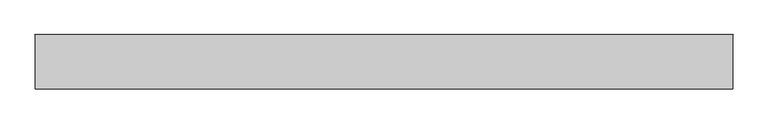
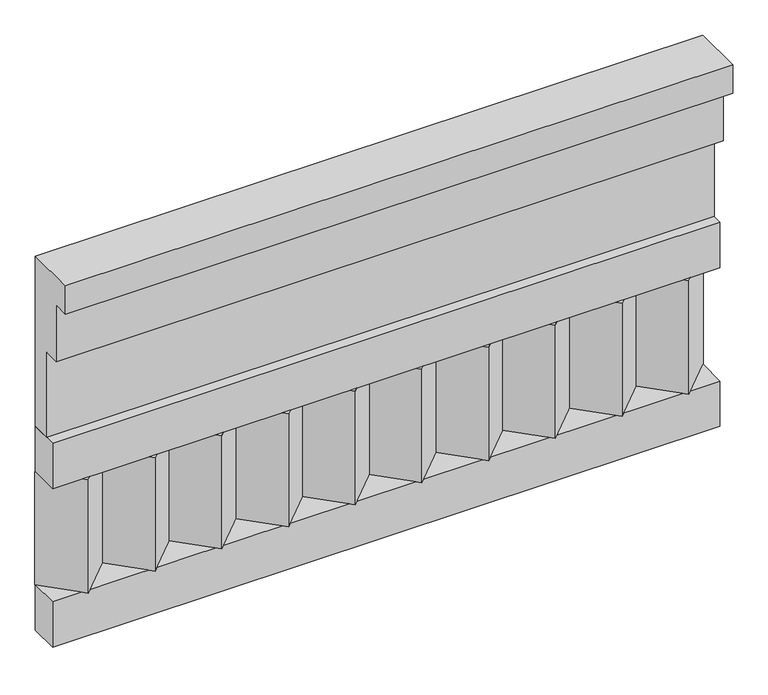
"""IFC4 building model written with IfcOpenShell, lengths in millimetres: railing geometry."""

import ifcopenshell
import ifcopenshell.guid

model = None  # the IFC model being written
_history = None  # IfcOwnerHistory: only IFC2X3 demands one
_inside = {}  # id of a spatial element -> (the spatial element, [elements in it])
_under = {}  # id of a project, library or spatial element -> (it, [spatial elements below it])
_declared = {}  # id of a project -> (the project, [libraries it declares])
_typed = {}  # id of a type object -> (the type object, [elements of that type])
_made_of = {}  # id of a material, layer set ... -> (it, [elements and type objects made of it])


def new_model(schema):
    """Start an empty IFC model of exactly this schema.

    Asked for "IFC4X3", IfcOpenShell would pick the latest addendum, in which some entities
    have other attributes; the version numbers below select the first issue.
    IFC2X3 requires an IfcOwnerHistory on every rooted entity: one is made here for all.
    """
    global model, _history
    if schema == "IFC4X3":
        model = ifcopenshell.file(schema_version=(4, 3, 0, 0))
    else:
        model = ifcopenshell.file(schema=schema)
    _inside.clear()
    _under.clear()
    _declared.clear()
    _typed.clear()
    _made_of.clear()
    _history = None
    if model.schema == "IFC2X3":
        org = make("IfcOrganization", Name="unknown")
        user = make(
            "IfcPersonAndOrganization",
            ThePerson=make("IfcPerson", FamilyName="unknown"),
            TheOrganization=org,
        )
        app = make(
            "IfcApplication",
            ApplicationDeveloper=org,
            Version="unknown",
            ApplicationFullName="unknown",
            ApplicationIdentifier="unknown",
        )
        _history = make(
            "IfcOwnerHistory",
            OwningUser=user,
            OwningApplication=app,
            ChangeAction="ADDED",
            CreationDate=0,
        )
    return model


def make(cls, **values):
    """One entity of the class cls with the attributes given. An attribute that is None is left unset."""
    return model.create_entity(
        cls, **{name: value for name, value in values.items() if value is not None}
    )


def rooted(cls, **values):
    """An entity with a GlobalId (a new one), such as an element, a storey or a relation."""
    return make(cls, GlobalId=ifcopenshell.guid.new(), OwnerHistory=_history, **values)


def si_unit(unit_type, name, prefix=None):
    """IfcSIUnit, for example si_unit("LENGTHUNIT", "METRE", prefix="MILLI")."""
    return make("IfcSIUnit", UnitType=unit_type, Prefix=prefix, Name=name)


def assignment(units):
    """IfcUnitAssignment: the units of a project."""
    return None if units is None else make("IfcUnitAssignment", Units=units)


def point(xyz):
    """IfcCartesianPoint."""
    return None if xyz is None else make("IfcCartesianPoint", Coordinates=xyz)


def direction(xyz):
    """IfcDirection."""
    return None if xyz is None else make("IfcDirection", DirectionRatios=xyz)


def frame(location, z_axis=None, x_axis=None):
    """IfcAxis2Placement3D, a coordinate frame: its origin and axes. An axis left out is left unset."""
    return make(
        "IfcAxis2Placement3D",
        Location=point(location),
        Axis=direction(z_axis),
        RefDirection=direction(x_axis),
    )


def origin():
    """The frame at (0, 0, 0) with its axes left unset."""
    return frame((0.0, 0.0, 0.0))


def place(relative_to, where):
    """IfcLocalPlacement: puts the frame where relative to a parent placement (None: the world)."""
    return make(
        "IfcLocalPlacement", PlacementRelTo=relative_to, RelativePlacement=where
    )


def context(
    kind, dimensions, precision=None, world=None, true_north=None, identifier=None
):
    """IfcGeometricRepresentationContext, for example the 3D "Model" context."""
    return make(
        "IfcGeometricRepresentationContext",
        ContextIdentifier=identifier,
        ContextType=kind,
        CoordinateSpaceDimension=dimensions,
        Precision=precision,
        WorldCoordinateSystem=world,
        TrueNorth=true_north,
    )


def project(units=None, contexts=None):
    """IfcProject with its units and contexts."""
    return rooted(
        "IfcProject",
        Name="project",
        RepresentationContexts=contexts,
        UnitsInContext=assignment(units),
    )


def spatial(cls, under=None, at=None, **own):
    """A site, building, storey or space (cls), placed at a placement, below another one or the project."""
    s = rooted(cls, ObjectPlacement=at, **own)
    if under is not None:
        _under.setdefault(under.id(), (under, []))[1].append(s)
    return s


def polyline(points):
    """IfcPolyline through the points."""
    return make("IfcPolyline", Points=[point(p) for p in points])


def outline(outer, holes=None, kind="AREA"):
    """IfcArbitraryClosedProfileDef: a profile drawn as a closed curve; with holes, ...WithVoids."""
    if holes is None:
        return make("IfcArbitraryClosedProfileDef", ProfileType=kind, OuterCurve=outer)
    return make(
        "IfcArbitraryProfileDefWithVoids",
        ProfileType=kind,
        OuterCurve=outer,
        InnerCurves=holes,
    )


def extrude(swept, where, along, depth):
    """IfcExtrudedAreaSolid: the profile swept, set in the frame where, extruded along a direction by depth."""
    return make(
        "IfcExtrudedAreaSolid",
        SweptArea=swept,
        Position=where,
        ExtrudedDirection=direction(along),
        Depth=depth,
    )


def shape(context_of_items, identifier, shape_type, items):
    """IfcShapeRepresentation: the items that make up one representation, for example the "Body"."""
    return make(
        "IfcShapeRepresentation",
        ContextOfItems=context_of_items,
        RepresentationIdentifier=identifier,
        RepresentationType=shape_type,
        Items=items,
    )


def source(mapping_origin, context_of_items, identifier, shape_type, items):
    """IfcRepresentationMap: a shape defined once, which mapped items show again and again."""
    return make(
        "IfcRepresentationMap",
        MappingOrigin=mapping_origin,
        MappedRepresentation=shape(context_of_items, identifier, shape_type, items),
    )


def transform(
    local_origin,
    x_axis=None,
    y_axis=None,
    z_axis=None,
    scale=None,
    scale2=None,
    scale3=None,
    uniform=True,
):
    """IfcCartesianTransformationOperator3D, or its non-uniform kind. x_axis, y_axis, z_axis: its Axis1, 2, 3."""
    if uniform:
        return make(
            "IfcCartesianTransformationOperator3D",
            Axis1=direction(x_axis),
            Axis2=direction(y_axis),
            LocalOrigin=point(local_origin),
            Scale=scale,
            Axis3=direction(z_axis),
        )
    return make(
        "IfcCartesianTransformationOperator3DnonUniform",
        Axis1=direction(x_axis),
        Axis2=direction(y_axis),
        LocalOrigin=point(local_origin),
        Scale=scale,
        Axis3=direction(z_axis),
        Scale2=scale2,
        Scale3=scale3,
    )


def mapped(mapping_source, mapping_target):
    """IfcMappedItem: shows the shape of a source again, moved by a transform."""
    return make(
        "IfcMappedItem", MappingSource=mapping_source, MappingTarget=mapping_target
    )


def made_of(thing, what):
    """Note that an element or type object is made of a material, layer set ...; save() writes the relation."""
    if what is not None:
        _made_of.setdefault(what.id(), (what, []))[1].append(thing)
    return thing


def element(
    cls,
    number,
    at=None,
    inside=None,
    cuts=None,
    type_object=None,
    material=None,
    context=None,
    identifier="Body",
    shape_type=None,
    held_by="IfcProductDefinitionShape",
    body=None,
    shapes=None,
    **own,
):
    """One element of the class cls, such as IfcWall. Its Tag is "e" and its number.

    at: its placement. inside: the storey or other place that contains it. cuts: it is an
    opening in that element (IfcRelVoidsElement). A single representation is given by context,
    identifier, shape_type and body (its items); several are given by shapes. held_by: the class
    of the entity that holds the representations. save() writes the other relations.
    """
    e = rooted(cls, Tag="e%d" % number, ObjectPlacement=at, **own)
    if body is not None:
        shapes = [shape(context, identifier, shape_type, body)]
    if shapes is not None:
        e.Representation = make(held_by, Representations=shapes)
    if inside is not None:
        _inside.setdefault(inside.id(), (inside, []))[1].append(e)
    if cuts is not None:
        rooted(
            "IfcRelVoidsElement", RelatingBuildingElement=cuts, RelatedOpeningElement=e
        )
    if type_object is not None:
        _typed.setdefault(type_object.id(), (type_object, []))[1].append(e)
    return made_of(e, material)


def aggregate(whole, parts):
    """IfcRelAggregates: a whole, such as a stair, and the parts it consists of."""
    return rooted("IfcRelAggregates", RelatingObject=whole, RelatedObjects=parts)


def save(model, path):
    """Write the relations noted so far, then the file.

    IfcRelAggregates (storeys below a building ...), IfcRelContainedInSpatialStructure (elements
    in a storey), IfcRelDefinesByType, IfcRelAssociatesMaterial and IfcRelDeclares: one each for
    every whole, place, type object, material and project.
    """
    for whole, parts in _under.values():
        aggregate(whole, parts)
    for where, things in _inside.values():
        rooted(
            "IfcRelContainedInSpatialStructure",
            RelatedElements=things,
            RelatingStructure=where,
        )
    for kind, things in _typed.values():
        rooted("IfcRelDefinesByType", RelatedObjects=things, RelatingType=kind)
    for what, things in _made_of.values():
        rooted("IfcRelAssociatesMaterial", RelatedObjects=things, RelatingMaterial=what)
    for by, libraries in _declared.values():
        rooted("IfcRelDeclares", RelatingContext=by, RelatedDefinitions=libraries)
    model.write(path)


def railing_40f1827d(model_context):
    return source(origin(), model_context, "Body", "SweptSolid", [
        extrude(outline(polyline([(-16816.8920513, 24530.0), (-16816.8920513, 24080.0), (-16866.8920513, 24080.0), (-16866.8920513, 24305.0), (-16906.8920513, 24305.0), (-16906.8920513, 24455.0), (-16946.8920513, 24455.0), (-16946.8920513, 24530.0), (-16816.8920513, 24530.0)])), frame((-5539.9887159, 0.0, 0.0), z_axis=(1.0, 0.0, 0.0), x_axis=(0.0, 1.0, 0.0)), (0.0, 0.0, 1.0), 1670.0),
        extrude(outline(polyline([(-5539.9887159, -16891.8920513), (-5539.9887159, -16816.8920513), (-3869.9887159, -16816.8920513), (-3869.9887159, -16891.8920513), (-5539.9887159, -16891.8920513)])), frame((0.0, 0.0, 23960.0), z_axis=(0.0, 0.0, 1.0), x_axis=(1.0, 0.0, 0.0)), (0.0, 0.0, 1.0), 120.0),
        extrude(outline(polyline([(-5539.9887159, -16891.8920513), (-5539.9887159, -16816.8920513), (-3869.9887159, -16816.8920513), (-3869.9887159, -16891.8920513), (-5539.9887159, -16891.8920513)])), frame((0.0, 0.0, 23540.0), z_axis=(0.0, 0.0, 1.0), x_axis=(1.0, 0.0, 0.0)), (0.0, 0.0, 1.0), 120.0),
        extrude(outline(polyline([(-3953.4887159, -16901.7448651), (-4038.3415296, -16816.8920513), (-3868.6359022, -16816.8920513), (-3953.4887159, -16901.7448651)])), frame((0.0, 0.0, 23660.0), z_axis=(0.0, 0.0, 1.0), x_axis=(1.0, 0.0, 0.0)), (0.0, 0.0, 1.0), 300.0),
        extrude(outline(polyline([(-4120.4887159, -16901.7448651), (-4205.3415296, -16816.8920513), (-4035.6359022, -16816.8920513), (-4120.4887159, -16901.7448651)])), frame((0.0, 0.0, 23660.0), z_axis=(0.0, 0.0, 1.0), x_axis=(1.0, 0.0, 0.0)), (0.0, 0.0, 1.0), 300.0),
        extrude(outline(polyline([(-4287.4887159, -16901.7448651), (-4372.3415296, -16816.8920513), (-4202.6359022, -16816.8920513), (-4287.4887159, -16901.7448651)])), frame((0.0, 0.0, 23660.0), z_axis=(0.0, 0.0, 1.0), x_axis=(1.0, 0.0, 0.0)), (0.0, 0.0, 1.0), 300.0),
        extrude(outline(polyline([(-4454.4887159, -16901.7448651), (-4539.3415296, -16816.8920513), (-4369.6359022, -16816.8920513), (-4454.4887159, -16901.7448651)])), frame((0.0, 0.0, 23660.0), z_axis=(0.0, 0.0, 1.0), x_axis=(1.0, 0.0, 0.0)), (0.0, 0.0, 1.0), 300.0),
        extrude(outline(polyline([(-4621.4887159, -16901.7448651), (-4706.3415296, -16816.8920513), (-4536.6359022, -16816.8920513), (-4621.4887159, -16901.7448651)])), frame((0.0, 0.0, 23660.0), z_axis=(0.0, 0.0, 1.0), x_axis=(1.0, 0.0, 0.0)), (0.0, 0.0, 1.0), 300.0),
        extrude(outline(polyline([(-4788.4887159, -16901.7448651), (-4873.3415296, -16816.8920513), (-4703.6359022, -16816.8920513), (-4788.4887159, -16901.7448651)])), frame((0.0, 0.0, 23660.0), z_axis=(0.0, 0.0, 1.0), x_axis=(1.0, 0.0, 0.0)), (0.0, 0.0, 1.0), 300.0),
        extrude(outline(polyline([(-4955.4887159, -16901.7448651), (-5040.3415296, -16816.8920513), (-4870.6359022, -16816.8920513), (-4955.4887159, -16901.7448651)])), frame((0.0, 0.0, 23660.0), z_axis=(0.0, 0.0, 1.0), x_axis=(1.0, 0.0, 0.0)), (0.0, 0.0, 1.0), 300.0),
        extrude(outline(polyline([(-5122.4887159, -16901.7448651), (-5207.3415296, -16816.8920513), (-5037.6359022, -16816.8920513), (-5122.4887159, -16901.7448651)])), frame((0.0, 0.0, 23660.0), z_axis=(0.0, 0.0, 1.0), x_axis=(1.0, 0.0, 0.0)), (0.0, 0.0, 1.0), 300.0),
        extrude(outline(polyline([(-5289.4887159, -16901.7448651), (-5374.3415296, -16816.8920513), (-5204.6359022, -16816.8920513), (-5289.4887159, -16901.7448651)])), frame((0.0, 0.0, 23660.0), z_axis=(0.0, 0.0, 1.0), x_axis=(1.0, 0.0, 0.0)), (0.0, 0.0, 1.0), 300.0),
        extrude(outline(polyline([(-5456.4887159, -16901.7448651), (-5541.3415296, -16816.8920513), (-5371.6359022, -16816.8920513), (-5456.4887159, -16901.7448651)])), frame((0.0, 0.0, 23660.0), z_axis=(0.0, 0.0, 1.0), x_axis=(1.0, 0.0, 0.0)), (0.0, 0.0, 1.0), 300.0),
    ])


if __name__ == "__main__":
    model = new_model("IFC4")
    model_context = context("Model", 3, world=origin())
    ifc_project = project(units=[si_unit("LENGTHUNIT", "METRE", prefix="MILLI")], contexts=[model_context])
    site = spatial("IfcSite", under=ifc_project)
    building = spatial("IfcBuilding", under=site)
    placement = place(None, origin())
    railing_shape = railing_40f1827d(model_context)
    element("IfcRailing", 1, at=placement, inside=building, context=model_context, shape_type="MappedRepresentation", body=[
        mapped(railing_shape, transform((0.0, 0.0, 0.0), x_axis=(1.0, 0.0, 0.0), y_axis=(0.0, 1.0, 0.0), z_axis=(0.0, 0.0, 1.0))),
    ])
    save(model, "model.ifc")
